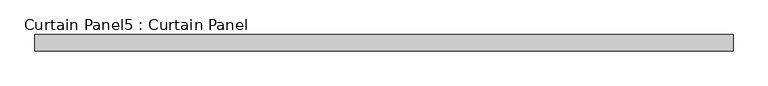
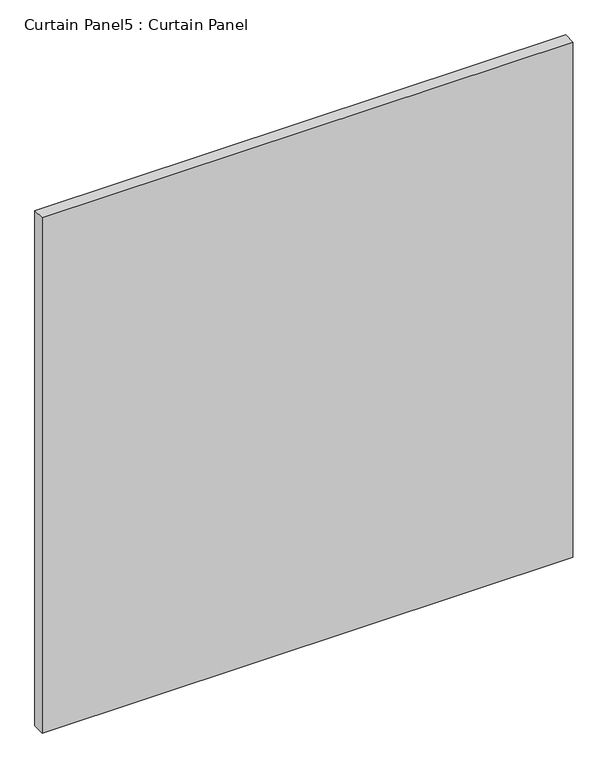
"""IFC4 building model written with IfcOpenShell, lengths in millimetres: plate geometry, Curtain Panel5 : Curtain Panel."""

from ifc_helpers import new_model, si_unit, frame, origin, place, context, project, spatial, polyline, outline, extrude, source, transform, mapped, element, save


def curtain_panel5_curtain_panel_9c1696f8(model_context):
    return source(origin(), model_context, "Body", "SweptSolid", [
        extrude(outline(polyline([(-291035.1774652, -494.5574136), (-292111.5024652, -494.5574136), (-292111.5024652, -469.1574136), (-291035.1774652, -469.1574136), (-291035.1774652, -494.5574136)])), frame((0.0, 0.0, -1198.5624365), z_axis=(0.0, 0.0, 1.0), x_axis=(1.0, 0.0, 0.0)), (0.0, 0.0, 1.0), 1104.8999368),
    ])


if __name__ == "__main__":
    model = new_model("IFC4")
    model_context = context("Model", 3, world=origin())
    ifc_project = project(units=[si_unit("LENGTHUNIT", "METRE", prefix="MILLI")], contexts=[model_context])
    site = spatial("IfcSite", under=ifc_project)
    building = spatial("IfcBuilding", under=site)
    placement = place(None, origin())
    curtain_panel5_curtain_panel_shape = curtain_panel5_curtain_panel_9c1696f8(model_context)
    element("IfcPlate", 1, ObjectType="Curtain Panel5 : Curtain Panel", at=placement, inside=building, context=model_context, shape_type="MappedRepresentation", body=[
        mapped(curtain_panel5_curtain_panel_shape, transform((0.0, 0.0, 0.0), x_axis=(1.0, 0.0, 0.0), y_axis=(0.0, 1.0, 0.0), z_axis=(0.0, 0.0, 1.0))),
    ])
    save(model, "model.ifc")
